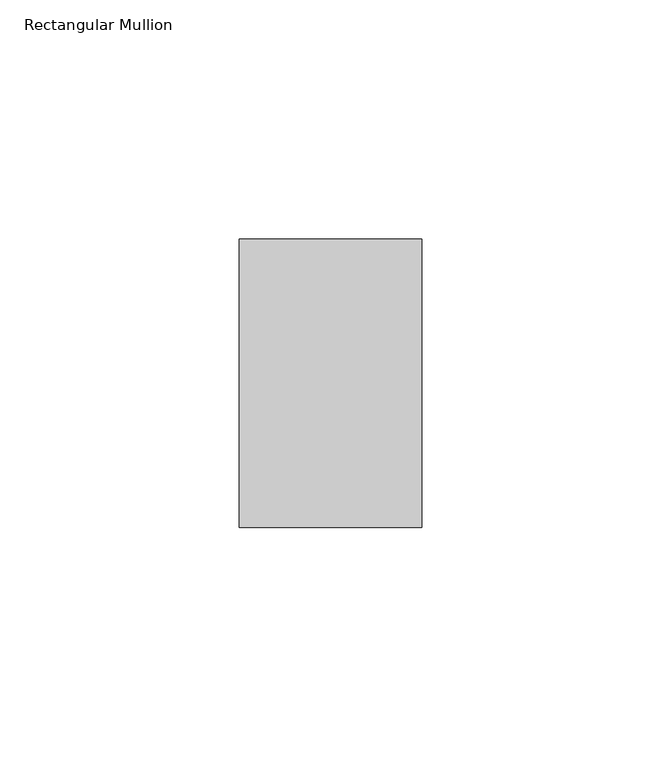
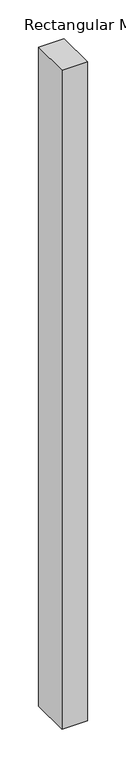
"""IFC4 building model written with IfcOpenShell, lengths in millimetres: member geometry, Rectangular Mullion."""

from ifc_helpers import new_model, si_unit, frame, origin, place, context, project, spatial, polyline, outline, extrude, source, transform, mapped, element, save


def rectangular_mullion_c704c8e3(model_context):
    return source(origin(), model_context, "Body", "SweptSolid", [
        extrude(outline(polyline([(-38.1, 50.8), (0.0, 50.8), (0.0, -9.525), (-38.1, -9.525), (-38.1, 50.8)])), frame((0.0, 0.0, -1038.225), z_axis=(0.0, 0.0, 1.0), x_axis=(1.0, 0.0, 0.0)), (0.0, 0.0, 1.0), 1038.225),
    ])


if __name__ == "__main__":
    model = new_model("IFC4")
    model_context = context("Model", 3, world=origin())
    ifc_project = project(units=[si_unit("LENGTHUNIT", "METRE", prefix="MILLI")], contexts=[model_context])
    site = spatial("IfcSite", under=ifc_project)
    building = spatial("IfcBuilding", under=site)
    placement = place(None, origin())
    rectangular_mullion_shape = rectangular_mullion_c704c8e3(model_context)
    element("IfcMember", 1, ObjectType="Rectangular Mullion", at=placement, inside=building, context=model_context, shape_type="MappedRepresentation", body=[
        mapped(rectangular_mullion_shape, transform((0.0, 0.0, 0.0), x_axis=(1.0, 0.0, 0.0), y_axis=(0.0, 1.0, 0.0), z_axis=(0.0, 0.0, 1.0))),
    ])
    save(model, "model.ifc")
